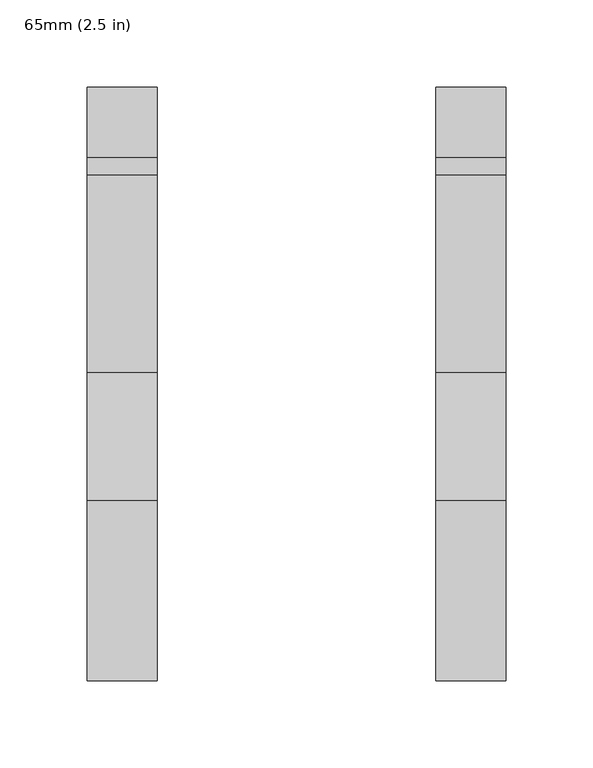
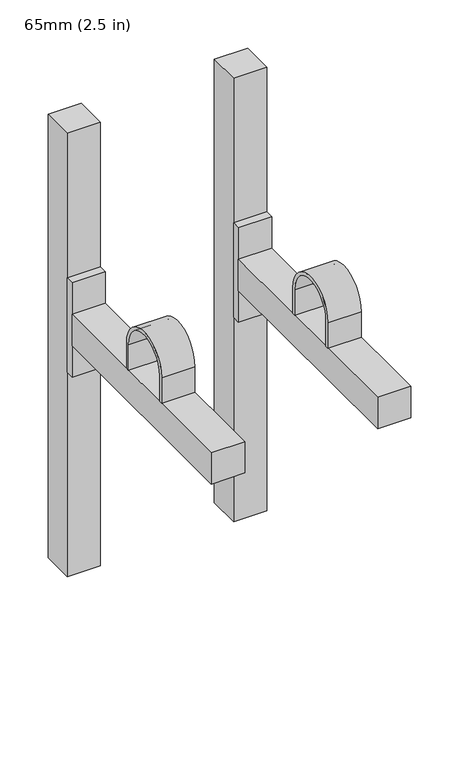
"""IFC4 building model written with IfcOpenShell, lengths in millimetres: proxy geometry, 65mm (2.5 in)."""

from ifc_helpers import new_model, si_unit, point, frame, frame_2d, origin, origin_with_axes, place, context, project, spatial, polyline, circle_curve, trimmed, segment, composite_curve, outline, extrude, source, transform, mapped, element, save


def proxy_65mm_2_5_in_ee551b4e(model_context):
    return source(origin(), model_context, "Body", "SweptSolid", [
        extrude(outline(composite_curve([segment(polyline([(-232.5, 372.5), (-232.5, 340.0), (-236.5, 340.0), (-236.5, 372.5)]), True, "CONTINUOUS"), segment(trimmed(circle_curve(frame_2d((-200.0, 372.5)), 36.5), [point((-236.5, 372.5))], [point((-163.5, 372.5))], False, "CARTESIAN"), True, "CONTINUOUS"), segment(polyline([(-163.5, 372.5), (-163.5, 340.0), (-167.5, 340.0), (-167.5, 372.5)]), True, "CONTINUOUS"), segment(trimmed(circle_curve(frame_2d((-200.0, 372.5)), 32.5), [point((-167.5, 372.5))], [point((-232.5, 372.5))], True, "CARTESIAN"), True, "CONTINUOUS")], self_intersect=False)), frame((180.0, 0.0, 0.0), z_axis=(1.0, 0.0, 0.0), x_axis=(0.0, 1.0, 0.0)), (0.0, 0.0, 1.0), 40.0),
        extrude(outline(polyline([(220.0, -50.0), (220.0, -340.0), (180.0, -340.0), (180.0, -50.0), (220.0, -50.0)])), frame((0.0, 0.0, 300.0), z_axis=(0.0, 0.0, 1.0), x_axis=(1.0, 0.0, 0.0)), (0.0, 0.0, 1.0), 40.0),
        extrude(outline(polyline([(220.0, -40.0), (220.0, -50.0), (180.0, -50.0), (180.0, -40.0), (220.0, -40.0)])), frame((0.0, 0.0, 260.0), z_axis=(0.0, 0.0, 1.0), x_axis=(1.0, 0.0, 0.0)), (0.0, 0.0, 1.0), 120.0),
        extrude(outline(polyline([(220.0, 0.0), (220.0, -40.0), (180.0, -40.0), (180.0, 0.0), (220.0, 0.0)])), origin_with_axes(), (0.0, 0.0, 1.0), 564.1051687),
        extrude(outline(composite_curve([segment(polyline([(-232.5, 372.5), (-232.5, 340.0), (-236.5, 340.0), (-236.5, 372.5)]), True, "CONTINUOUS"), segment(trimmed(circle_curve(frame_2d((-200.0, 372.5)), 36.5), [point((-236.5, 372.5))], [point((-163.5, 372.5))], False, "CARTESIAN"), True, "CONTINUOUS"), segment(polyline([(-163.5, 372.5), (-163.5, 340.0), (-167.5, 340.0), (-167.5, 372.5)]), True, "CONTINUOUS"), segment(trimmed(circle_curve(frame_2d((-200.0, 372.5)), 32.5), [point((-167.5, 372.5))], [point((-232.5, 372.5))], True, "CARTESIAN"), True, "CONTINUOUS")], self_intersect=False)), frame((-20.0, 0.0, 0.0), z_axis=(1.0, 0.0, 0.0), x_axis=(0.0, 1.0, 0.0)), (0.0, 0.0, 1.0), 40.0),
        extrude(outline(polyline([(20.0, -50.0), (20.0, -340.0), (-20.0, -340.0), (-20.0, -50.0), (20.0, -50.0)])), frame((0.0, 0.0, 300.0), z_axis=(0.0, 0.0, 1.0), x_axis=(1.0, 0.0, 0.0)), (0.0, 0.0, 1.0), 40.0),
        extrude(outline(polyline([(20.0, -40.0), (20.0, -50.0), (-20.0, -50.0), (-20.0, -40.0), (20.0, -40.0)])), frame((0.0, 0.0, 260.0), z_axis=(0.0, 0.0, 1.0), x_axis=(1.0, 0.0, 0.0)), (0.0, 0.0, 1.0), 120.0),
        extrude(outline(polyline([(20.0, 0.0), (20.0, -40.0), (-20.0, -40.0), (-20.0, 0.0), (20.0, 0.0)])), origin_with_axes(), (0.0, 0.0, 1.0), 564.1051687),
    ])


if __name__ == "__main__":
    model = new_model("IFC4")
    model_context = context("Model", 3, world=origin())
    ifc_project = project(units=[si_unit("LENGTHUNIT", "METRE", prefix="MILLI")], contexts=[model_context])
    site = spatial("IfcSite", under=ifc_project)
    building = spatial("IfcBuilding", under=site)
    placement = place(None, origin())
    proxy_65mm_2_5_in_shape = proxy_65mm_2_5_in_ee551b4e(model_context)
    element("IfcBuildingElementProxy", 1, Name="65mm (2.5 in)", ObjectType="65mm (2.5 in)", at=placement, inside=building, context=model_context, shape_type="MappedRepresentation", body=[
        mapped(proxy_65mm_2_5_in_shape, transform((0.0, 0.0, 0.0), x_axis=(1.0, 0.0, 0.0), y_axis=(0.0, 1.0, 0.0), z_axis=(0.0, 0.0, 1.0))),
    ])
    save(model, "model.ifc")
